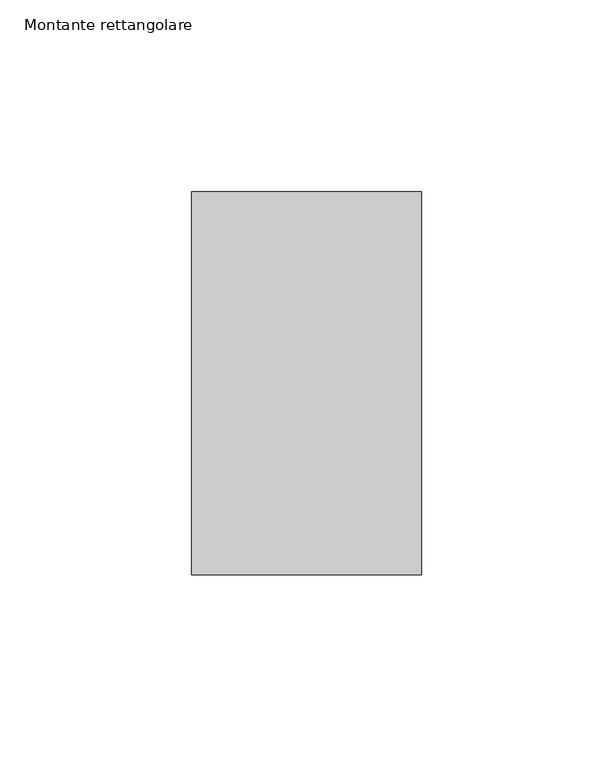
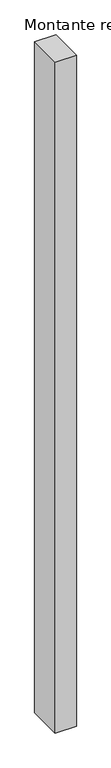
"""IFC4 building model written with IfcOpenShell, lengths in millimetres: member geometry, Montante rettangolare."""

import ifcopenshell
import ifcopenshell.guid

model = None  # the IFC model being written
_history = None  # IfcOwnerHistory: only IFC2X3 demands one
_inside = {}  # id of a spatial element -> (the spatial element, [elements in it])
_under = {}  # id of a project, library or spatial element -> (it, [spatial elements below it])
_declared = {}  # id of a project -> (the project, [libraries it declares])
_typed = {}  # id of a type object -> (the type object, [elements of that type])
_made_of = {}  # id of a material, layer set ... -> (it, [elements and type objects made of it])


def new_model(schema):
    """Start an empty IFC model of exactly this schema.

    Asked for "IFC4X3", IfcOpenShell would pick the latest addendum, in which some entities
    have other attributes; the version numbers below select the first issue.
    IFC2X3 requires an IfcOwnerHistory on every rooted entity: one is made here for all.
    """
    global model, _history
    if schema == "IFC4X3":
        model = ifcopenshell.file(schema_version=(4, 3, 0, 0))
    else:
        model = ifcopenshell.file(schema=schema)
    _inside.clear()
    _under.clear()
    _declared.clear()
    _typed.clear()
    _made_of.clear()
    _history = None
    if model.schema == "IFC2X3":
        org = make("IfcOrganization", Name="unknown")
        user = make(
            "IfcPersonAndOrganization",
            ThePerson=make("IfcPerson", FamilyName="unknown"),
            TheOrganization=org,
        )
        app = make(
            "IfcApplication",
            ApplicationDeveloper=org,
            Version="unknown",
            ApplicationFullName="unknown",
            ApplicationIdentifier="unknown",
        )
        _history = make(
            "IfcOwnerHistory",
            OwningUser=user,
            OwningApplication=app,
            ChangeAction="ADDED",
            CreationDate=0,
        )
    return model


def make(cls, **values):
    """One entity of the class cls with the attributes given. An attribute that is None is left unset."""
    return model.create_entity(
        cls, **{name: value for name, value in values.items() if value is not None}
    )


def rooted(cls, **values):
    """An entity with a GlobalId (a new one), such as an element, a storey or a relation."""
    return make(cls, GlobalId=ifcopenshell.guid.new(), OwnerHistory=_history, **values)


def si_unit(unit_type, name, prefix=None):
    """IfcSIUnit, for example si_unit("LENGTHUNIT", "METRE", prefix="MILLI")."""
    return make("IfcSIUnit", UnitType=unit_type, Prefix=prefix, Name=name)


def assignment(units):
    """IfcUnitAssignment: the units of a project."""
    return None if units is None else make("IfcUnitAssignment", Units=units)


def point(xyz):
    """IfcCartesianPoint."""
    return None if xyz is None else make("IfcCartesianPoint", Coordinates=xyz)


def direction(xyz):
    """IfcDirection."""
    return None if xyz is None else make("IfcDirection", DirectionRatios=xyz)


def frame(location, z_axis=None, x_axis=None):
    """IfcAxis2Placement3D, a coordinate frame: its origin and axes. An axis left out is left unset."""
    return make(
        "IfcAxis2Placement3D",
        Location=point(location),
        Axis=direction(z_axis),
        RefDirection=direction(x_axis),
    )


def origin():
    """The frame at (0, 0, 0) with its axes left unset."""
    return frame((0.0, 0.0, 0.0))


def place(relative_to, where):
    """IfcLocalPlacement: puts the frame where relative to a parent placement (None: the world)."""
    return make(
        "IfcLocalPlacement", PlacementRelTo=relative_to, RelativePlacement=where
    )


def context(
    kind, dimensions, precision=None, world=None, true_north=None, identifier=None
):
    """IfcGeometricRepresentationContext, for example the 3D "Model" context."""
    return make(
        "IfcGeometricRepresentationContext",
        ContextIdentifier=identifier,
        ContextType=kind,
        CoordinateSpaceDimension=dimensions,
        Precision=precision,
        WorldCoordinateSystem=world,
        TrueNorth=true_north,
    )


def project(units=None, contexts=None):
    """IfcProject with its units and contexts."""
    return rooted(
        "IfcProject",
        Name="project",
        RepresentationContexts=contexts,
        UnitsInContext=assignment(units),
    )


def spatial(cls, under=None, at=None, **own):
    """A site, building, storey or space (cls), placed at a placement, below another one or the project."""
    s = rooted(cls, ObjectPlacement=at, **own)
    if under is not None:
        _under.setdefault(under.id(), (under, []))[1].append(s)
    return s


def polyline(points):
    """IfcPolyline through the points."""
    return make("IfcPolyline", Points=[point(p) for p in points])


def outline(outer, holes=None, kind="AREA"):
    """IfcArbitraryClosedProfileDef: a profile drawn as a closed curve; with holes, ...WithVoids."""
    if holes is None:
        return make("IfcArbitraryClosedProfileDef", ProfileType=kind, OuterCurve=outer)
    return make(
        "IfcArbitraryProfileDefWithVoids",
        ProfileType=kind,
        OuterCurve=outer,
        InnerCurves=holes,
    )


def extrude(swept, where, along, depth):
    """IfcExtrudedAreaSolid: the profile swept, set in the frame where, extruded along a direction by depth."""
    return make(
        "IfcExtrudedAreaSolid",
        SweptArea=swept,
        Position=where,
        ExtrudedDirection=direction(along),
        Depth=depth,
    )


def shape(context_of_items, identifier, shape_type, items):
    """IfcShapeRepresentation: the items that make up one representation, for example the "Body"."""
    return make(
        "IfcShapeRepresentation",
        ContextOfItems=context_of_items,
        RepresentationIdentifier=identifier,
        RepresentationType=shape_type,
        Items=items,
    )


def source(mapping_origin, context_of_items, identifier, shape_type, items):
    """IfcRepresentationMap: a shape defined once, which mapped items show again and again."""
    return make(
        "IfcRepresentationMap",
        MappingOrigin=mapping_origin,
        MappedRepresentation=shape(context_of_items, identifier, shape_type, items),
    )


def transform(
    local_origin,
    x_axis=None,
    y_axis=None,
    z_axis=None,
    scale=None,
    scale2=None,
    scale3=None,
    uniform=True,
):
    """IfcCartesianTransformationOperator3D, or its non-uniform kind. x_axis, y_axis, z_axis: its Axis1, 2, 3."""
    if uniform:
        return make(
            "IfcCartesianTransformationOperator3D",
            Axis1=direction(x_axis),
            Axis2=direction(y_axis),
            LocalOrigin=point(local_origin),
            Scale=scale,
            Axis3=direction(z_axis),
        )
    return make(
        "IfcCartesianTransformationOperator3DnonUniform",
        Axis1=direction(x_axis),
        Axis2=direction(y_axis),
        LocalOrigin=point(local_origin),
        Scale=scale,
        Axis3=direction(z_axis),
        Scale2=scale2,
        Scale3=scale3,
    )


def mapped(mapping_source, mapping_target):
    """IfcMappedItem: shows the shape of a source again, moved by a transform."""
    return make(
        "IfcMappedItem", MappingSource=mapping_source, MappingTarget=mapping_target
    )


def made_of(thing, what):
    """Note that an element or type object is made of a material, layer set ...; save() writes the relation."""
    if what is not None:
        _made_of.setdefault(what.id(), (what, []))[1].append(thing)
    return thing


def element(
    cls,
    number,
    at=None,
    inside=None,
    cuts=None,
    type_object=None,
    material=None,
    context=None,
    identifier="Body",
    shape_type=None,
    held_by="IfcProductDefinitionShape",
    body=None,
    shapes=None,
    **own,
):
    """One element of the class cls, such as IfcWall. Its Tag is "e" and its number.

    at: its placement. inside: the storey or other place that contains it. cuts: it is an
    opening in that element (IfcRelVoidsElement). A single representation is given by context,
    identifier, shape_type and body (its items); several are given by shapes. held_by: the class
    of the entity that holds the representations. save() writes the other relations.
    """
    e = rooted(cls, Tag="e%d" % number, ObjectPlacement=at, **own)
    if body is not None:
        shapes = [shape(context, identifier, shape_type, body)]
    if shapes is not None:
        e.Representation = make(held_by, Representations=shapes)
    if inside is not None:
        _inside.setdefault(inside.id(), (inside, []))[1].append(e)
    if cuts is not None:
        rooted(
            "IfcRelVoidsElement", RelatingBuildingElement=cuts, RelatedOpeningElement=e
        )
    if type_object is not None:
        _typed.setdefault(type_object.id(), (type_object, []))[1].append(e)
    return made_of(e, material)


def aggregate(whole, parts):
    """IfcRelAggregates: a whole, such as a stair, and the parts it consists of."""
    return rooted("IfcRelAggregates", RelatingObject=whole, RelatedObjects=parts)


def save(model, path):
    """Write the relations noted so far, then the file.

    IfcRelAggregates (storeys below a building ...), IfcRelContainedInSpatialStructure (elements
    in a storey), IfcRelDefinesByType, IfcRelAssociatesMaterial and IfcRelDeclares: one each for
    every whole, place, type object, material and project.
    """
    for whole, parts in _under.values():
        aggregate(whole, parts)
    for where, things in _inside.values():
        rooted(
            "IfcRelContainedInSpatialStructure",
            RelatedElements=things,
            RelatingStructure=where,
        )
    for kind, things in _typed.values():
        rooted("IfcRelDefinesByType", RelatedObjects=things, RelatingType=kind)
    for what, things in _made_of.values():
        rooted("IfcRelAssociatesMaterial", RelatedObjects=things, RelatingMaterial=what)
    for by, libraries in _declared.values():
        rooted("IfcRelDeclares", RelatingContext=by, RelatedDefinitions=libraries)
    model.write(path)


def montante_rettangolare_e6c0f38f(model_context):
    return source(origin(), model_context, "Body", "SweptSolid", [
        extrude(outline(polyline([(0.0, 50.0), (0.0, -50.0), (-60.0, -50.0), (-60.0, 50.0), (0.0, 50.0)])), frame((0.0, 0.0, -2005.0), z_axis=(0.0, 0.0, 1.0), x_axis=(1.0, 0.0, 0.0)), (0.0, 0.0, 1.0), 2005.0),
    ])


if __name__ == "__main__":
    model = new_model("IFC4")
    model_context = context("Model", 3, world=origin())
    ifc_project = project(units=[si_unit("LENGTHUNIT", "METRE", prefix="MILLI")], contexts=[model_context])
    site = spatial("IfcSite", under=ifc_project)
    building = spatial("IfcBuilding", under=site)
    placement = place(None, origin())
    montante_rettangolare_shape = montante_rettangolare_e6c0f38f(model_context)
    element("IfcMember", 1, ObjectType="Montante rettangolare", at=placement, inside=building, context=model_context, shape_type="MappedRepresentation", body=[
        mapped(montante_rettangolare_shape, transform((0.0, 0.0, 0.0), x_axis=(1.0, 0.0, 0.0), y_axis=(0.0, 1.0, 0.0), z_axis=(0.0, 0.0, 1.0))),
    ])
    save(model, "model.ifc")
